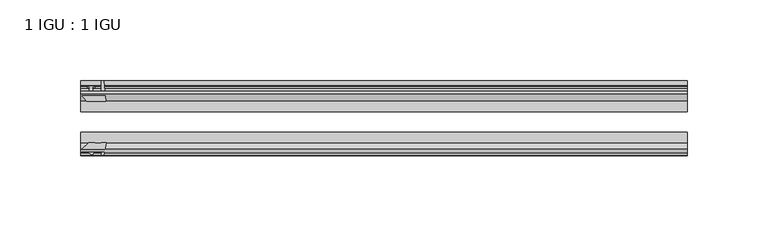
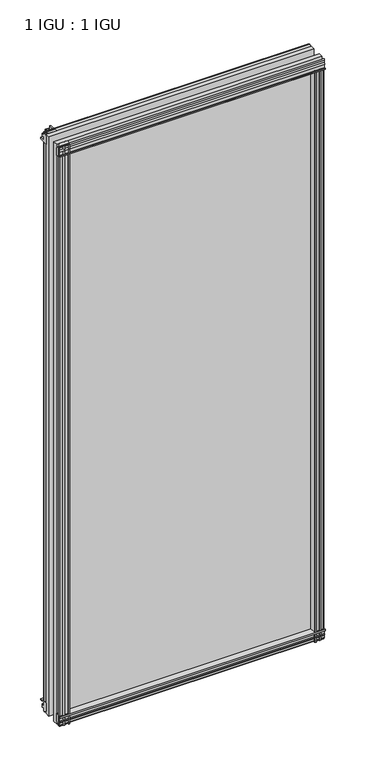
"""IFC4 building model written with IfcOpenShell, lengths in millimetres: plate geometry, 1 IGU : 1 IGU."""

import ifcopenshell
import ifcopenshell.guid

model = None  # the IFC model being written
_history = None  # IfcOwnerHistory: only IFC2X3 demands one
_inside = {}  # id of a spatial element -> (the spatial element, [elements in it])
_under = {}  # id of a project, library or spatial element -> (it, [spatial elements below it])
_declared = {}  # id of a project -> (the project, [libraries it declares])
_typed = {}  # id of a type object -> (the type object, [elements of that type])
_made_of = {}  # id of a material, layer set ... -> (it, [elements and type objects made of it])


def new_model(schema):
    """Start an empty IFC model of exactly this schema.

    Asked for "IFC4X3", IfcOpenShell would pick the latest addendum, in which some entities
    have other attributes; the version numbers below select the first issue.
    IFC2X3 requires an IfcOwnerHistory on every rooted entity: one is made here for all.
    """
    global model, _history
    if schema == "IFC4X3":
        model = ifcopenshell.file(schema_version=(4, 3, 0, 0))
    else:
        model = ifcopenshell.file(schema=schema)
    _inside.clear()
    _under.clear()
    _declared.clear()
    _typed.clear()
    _made_of.clear()
    _history = None
    if model.schema == "IFC2X3":
        org = make("IfcOrganization", Name="unknown")
        user = make(
            "IfcPersonAndOrganization",
            ThePerson=make("IfcPerson", FamilyName="unknown"),
            TheOrganization=org,
        )
        app = make(
            "IfcApplication",
            ApplicationDeveloper=org,
            Version="unknown",
            ApplicationFullName="unknown",
            ApplicationIdentifier="unknown",
        )
        _history = make(
            "IfcOwnerHistory",
            OwningUser=user,
            OwningApplication=app,
            ChangeAction="ADDED",
            CreationDate=0,
        )
    return model


def make(cls, **values):
    """One entity of the class cls with the attributes given. An attribute that is None is left unset."""
    return model.create_entity(
        cls, **{name: value for name, value in values.items() if value is not None}
    )


def rooted(cls, **values):
    """An entity with a GlobalId (a new one), such as an element, a storey or a relation."""
    return make(cls, GlobalId=ifcopenshell.guid.new(), OwnerHistory=_history, **values)


def si_unit(unit_type, name, prefix=None):
    """IfcSIUnit, for example si_unit("LENGTHUNIT", "METRE", prefix="MILLI")."""
    return make("IfcSIUnit", UnitType=unit_type, Prefix=prefix, Name=name)


def assignment(units):
    """IfcUnitAssignment: the units of a project."""
    return None if units is None else make("IfcUnitAssignment", Units=units)


def point(xyz):
    """IfcCartesianPoint."""
    return None if xyz is None else make("IfcCartesianPoint", Coordinates=xyz)


def direction(xyz):
    """IfcDirection."""
    return None if xyz is None else make("IfcDirection", DirectionRatios=xyz)


def frame(location, z_axis=None, x_axis=None):
    """IfcAxis2Placement3D, a coordinate frame: its origin and axes. An axis left out is left unset."""
    return make(
        "IfcAxis2Placement3D",
        Location=point(location),
        Axis=direction(z_axis),
        RefDirection=direction(x_axis),
    )


def frame_2d(location, x_axis=None):
    """IfcAxis2Placement2D, a coordinate frame in the plane: its origin and x axis."""
    return make(
        "IfcAxis2Placement2D", Location=point(location), RefDirection=direction(x_axis)
    )


def origin():
    """The frame at (0, 0, 0) with its axes left unset."""
    return frame((0.0, 0.0, 0.0))


def place(relative_to, where):
    """IfcLocalPlacement: puts the frame where relative to a parent placement (None: the world)."""
    return make(
        "IfcLocalPlacement", PlacementRelTo=relative_to, RelativePlacement=where
    )


def context(
    kind, dimensions, precision=None, world=None, true_north=None, identifier=None
):
    """IfcGeometricRepresentationContext, for example the 3D "Model" context."""
    return make(
        "IfcGeometricRepresentationContext",
        ContextIdentifier=identifier,
        ContextType=kind,
        CoordinateSpaceDimension=dimensions,
        Precision=precision,
        WorldCoordinateSystem=world,
        TrueNorth=true_north,
    )


def project(units=None, contexts=None):
    """IfcProject with its units and contexts."""
    return rooted(
        "IfcProject",
        Name="project",
        RepresentationContexts=contexts,
        UnitsInContext=assignment(units),
    )


def spatial(cls, under=None, at=None, **own):
    """A site, building, storey or space (cls), placed at a placement, below another one or the project."""
    s = rooted(cls, ObjectPlacement=at, **own)
    if under is not None:
        _under.setdefault(under.id(), (under, []))[1].append(s)
    return s


def polyline(points):
    """IfcPolyline through the points."""
    return make("IfcPolyline", Points=[point(p) for p in points])


def circle_curve(where, radius):
    """IfcCircle in the frame where."""
    return make("IfcCircle", Position=where, Radius=radius)


def trimmed(basis, trim1, trim2, sense, master):
    """IfcTrimmedCurve: the piece of a basis curve between two trims."""
    return make(
        "IfcTrimmedCurve",
        BasisCurve=basis,
        Trim1=trim1,
        Trim2=trim2,
        SenseAgreement=sense,
        MasterRepresentation=master,
    )


def segment(curve, same_sense, transition):
    """IfcCompositeCurveSegment."""
    return make(
        "IfcCompositeCurveSegment",
        Transition=transition,
        SameSense=same_sense,
        ParentCurve=curve,
    )


def composite_curve(segments, self_intersect=None):
    """IfcCompositeCurve: segments joined end to end."""
    return make("IfcCompositeCurve", Segments=segments, SelfIntersect=self_intersect)


def outline(outer, holes=None, kind="AREA"):
    """IfcArbitraryClosedProfileDef: a profile drawn as a closed curve; with holes, ...WithVoids."""
    if holes is None:
        return make("IfcArbitraryClosedProfileDef", ProfileType=kind, OuterCurve=outer)
    return make(
        "IfcArbitraryProfileDefWithVoids",
        ProfileType=kind,
        OuterCurve=outer,
        InnerCurves=holes,
    )


def extrude(swept, where, along, depth):
    """IfcExtrudedAreaSolid: the profile swept, set in the frame where, extruded along a direction by depth."""
    return make(
        "IfcExtrudedAreaSolid",
        SweptArea=swept,
        Position=where,
        ExtrudedDirection=direction(along),
        Depth=depth,
    )


def shape(context_of_items, identifier, shape_type, items):
    """IfcShapeRepresentation: the items that make up one representation, for example the "Body"."""
    return make(
        "IfcShapeRepresentation",
        ContextOfItems=context_of_items,
        RepresentationIdentifier=identifier,
        RepresentationType=shape_type,
        Items=items,
    )


def source(mapping_origin, context_of_items, identifier, shape_type, items):
    """IfcRepresentationMap: a shape defined once, which mapped items show again and again."""
    return make(
        "IfcRepresentationMap",
        MappingOrigin=mapping_origin,
        MappedRepresentation=shape(context_of_items, identifier, shape_type, items),
    )


def transform(
    local_origin,
    x_axis=None,
    y_axis=None,
    z_axis=None,
    scale=None,
    scale2=None,
    scale3=None,
    uniform=True,
):
    """IfcCartesianTransformationOperator3D, or its non-uniform kind. x_axis, y_axis, z_axis: its Axis1, 2, 3."""
    if uniform:
        return make(
            "IfcCartesianTransformationOperator3D",
            Axis1=direction(x_axis),
            Axis2=direction(y_axis),
            LocalOrigin=point(local_origin),
            Scale=scale,
            Axis3=direction(z_axis),
        )
    return make(
        "IfcCartesianTransformationOperator3DnonUniform",
        Axis1=direction(x_axis),
        Axis2=direction(y_axis),
        LocalOrigin=point(local_origin),
        Scale=scale,
        Axis3=direction(z_axis),
        Scale2=scale2,
        Scale3=scale3,
    )


def mapped(mapping_source, mapping_target):
    """IfcMappedItem: shows the shape of a source again, moved by a transform."""
    return make(
        "IfcMappedItem", MappingSource=mapping_source, MappingTarget=mapping_target
    )


def made_of(thing, what):
    """Note that an element or type object is made of a material, layer set ...; save() writes the relation."""
    if what is not None:
        _made_of.setdefault(what.id(), (what, []))[1].append(thing)
    return thing


def element(
    cls,
    number,
    at=None,
    inside=None,
    cuts=None,
    type_object=None,
    material=None,
    context=None,
    identifier="Body",
    shape_type=None,
    held_by="IfcProductDefinitionShape",
    body=None,
    shapes=None,
    **own,
):
    """One element of the class cls, such as IfcWall. Its Tag is "e" and its number.

    at: its placement. inside: the storey or other place that contains it. cuts: it is an
    opening in that element (IfcRelVoidsElement). A single representation is given by context,
    identifier, shape_type and body (its items); several are given by shapes. held_by: the class
    of the entity that holds the representations. save() writes the other relations.
    """
    e = rooted(cls, Tag="e%d" % number, ObjectPlacement=at, **own)
    if body is not None:
        shapes = [shape(context, identifier, shape_type, body)]
    if shapes is not None:
        e.Representation = make(held_by, Representations=shapes)
    if inside is not None:
        _inside.setdefault(inside.id(), (inside, []))[1].append(e)
    if cuts is not None:
        rooted(
            "IfcRelVoidsElement", RelatingBuildingElement=cuts, RelatedOpeningElement=e
        )
    if type_object is not None:
        _typed.setdefault(type_object.id(), (type_object, []))[1].append(e)
    return made_of(e, material)


def aggregate(whole, parts):
    """IfcRelAggregates: a whole, such as a stair, and the parts it consists of."""
    return rooted("IfcRelAggregates", RelatingObject=whole, RelatedObjects=parts)


def save(model, path):
    """Write the relations noted so far, then the file.

    IfcRelAggregates (storeys below a building ...), IfcRelContainedInSpatialStructure (elements
    in a storey), IfcRelDefinesByType, IfcRelAssociatesMaterial and IfcRelDeclares: one each for
    every whole, place, type object, material and project.
    """
    for whole, parts in _under.values():
        aggregate(whole, parts)
    for where, things in _inside.values():
        rooted(
            "IfcRelContainedInSpatialStructure",
            RelatedElements=things,
            RelatingStructure=where,
        )
    for kind, things in _typed.values():
        rooted("IfcRelDefinesByType", RelatedObjects=things, RelatingType=kind)
    for what, things in _made_of.values():
        rooted("IfcRelAssociatesMaterial", RelatedObjects=things, RelatingMaterial=what)
    for by, libraries in _declared.values():
        rooted("IfcRelDeclares", RelatingContext=by, RelatedDefinitions=libraries)
    model.write(path)


def plate_1_igu_1_igu_2e32f64b(model_context):
    return source(origin(), model_context, "Body", "SweptSolid", [
        extrude(outline(polyline([(-24.9039062, 2.5763839), (-12.2039062, 1.5739665), (-12.2039062, 0.0), (-18.5539062, 0.0), (-18.5539062, -4.953), (-16.254502, -5.5691235), (-16.6301757, -4.1670901), (-15.7714677, -3.937), (-15.1249062, -6.35), (-15.7714677, -8.763), (-16.6301757, -8.5329099), (-16.254502, -7.1308765), (-18.5539062, -7.747), (-18.5539062, -12.7), (-20.5859062, -12.7), (-24.9039062, -9.1036931), (-24.9039062, 2.5763839)])), frame((-187.325, 0.0, 0.0), z_axis=(1.0, 0.0, 0.0), x_axis=(0.0, 1.0, 0.0)), (0.0, 0.0, 1.0), 374.65),
        extrude(outline(composite_curve([segment(polyline([(-58.2287402, 1.5687054), (-50.3039062, 3.0983599), (-50.3039062, -7.92383), (-54.4858806, -12.1058044)]), True, "CONTINUOUS"), segment(trimmed(circle_curve(frame_2d((-55.3839062, -11.2077788)), 1.27), [point((-54.4858806, -12.1058044))], [point((-56.6539062, -11.2077788))], False, "CARTESIAN"), True, "CONTINUOUS"), segment(polyline([(-56.6539062, -11.2077788), (-56.6539062, -8.0327788), (-58.1332022, -5.4488186), (-56.6539062, -5.1879788), (-56.6539062, 0.2222212), (-58.2287402, 0.0), (-58.2287402, 1.5687054)]), True, "CONTINUOUS")], self_intersect=False)), frame((-187.325, 0.0, 0.0), z_axis=(1.0, 0.0, 0.0), x_axis=(0.0, 1.0, 0.0)), (0.0, 0.0, 1.0), 374.65),
        extrude(outline(polyline([(-18.5539063, 845.956525), (-16.254502, 845.3404015), (-16.6301757, 846.7424349), (-15.7714677, 846.972525), (-15.1249063, 844.559525), (-15.7714677, 842.146525), (-16.6301757, 842.3766151), (-16.254502, 843.7786485), (-18.5539063, 843.162525), (-18.5539063, 838.209525), (-12.2039062, 838.209525), (-12.2039062, 836.6355584), (-24.9039063, 835.6331411), (-24.9039063, 847.3132181), (-20.5859063, 850.909525), (-18.5539063, 850.909525), (-18.5539063, 845.956525)])), frame((-187.325, 0.0, 0.0), z_axis=(1.0, 0.0, 0.0), x_axis=(0.0, 1.0, 0.0)), (0.0, 0.0, 1.0), 374.65),
        extrude(outline(composite_curve([segment(polyline([(-50.3039063, 846.133355), (-50.3039063, 835.1111651), (-58.2287402, 836.6408196), (-58.2287402, 838.209525), (-56.6539063, 837.9873038), (-56.6539063, 843.3975038), (-58.1332023, 843.6583436), (-56.6539063, 846.2423038), (-56.6539063, 849.4173038)]), True, "CONTINUOUS"), segment(trimmed(circle_curve(frame_2d((-55.3839063, 849.4173038)), 1.27), [point((-56.6539063, 849.4173038))], [point((-54.4858806, 850.3153294))], False, "CARTESIAN"), True, "CONTINUOUS"), segment(polyline([(-54.4858806, 850.3153294), (-50.3039063, 846.133355)]), True, "CONTINUOUS")], self_intersect=False)), frame((-187.325, 0.0, 0.0), z_axis=(1.0, 0.0, 0.0), x_axis=(0.0, 1.0, 0.0)), (0.0, 0.0, 1.0), 374.65),
        extrude(outline(composite_curve([segment(polyline([(172.893956, -57.3876965), (171.5266401, -50.3039063), (182.54883, -50.3039063), (186.7308044, -54.4858806)]), True, "CONTINUOUS"), segment(trimmed(circle_curve(frame_2d((185.8327788, -55.3839062)), 1.27), [point((186.7308044, -54.4858806))], [point((185.8327788, -56.6539062))], False, "CARTESIAN"), True, "CONTINUOUS"), segment(polyline([(185.8327788, -56.6539062), (182.6577788, -56.6539063), (180.0738186, -58.1332022), (179.8129788, -56.6539063), (174.4027788, -56.6539062), (174.625, -58.2287402), (173.6606792, -58.2014026)]), True, "CONTINUOUS"), segment(trimmed(circle_curve(frame_2d((173.8947788, -57.2127402)), 1.016), [point((173.6606792, -58.2014026))], [point((172.893956, -57.3876965))], False, "CARTESIAN"), True, "CONTINUOUS")], self_intersect=False)), frame((0.0, 0.0, -12.7), z_axis=(0.0, 0.0, 1.0), x_axis=(1.0, 0.0, 0.0)), (0.0, 0.0, 1.0), 851.3064),
        extrude(outline(polyline([(179.578, -18.5539062), (180.1941235, -16.254502), (178.7920901, -16.6301757), (178.562, -15.7714677), (180.975, -15.1249062), (183.388, -15.7714677), (183.1579099, -16.6301757), (181.7558765, -16.254502), (182.372, -18.5539062), (187.325, -18.5539062), (187.325, -20.5859062), (183.7286931, -24.9039063), (172.0486161, -24.9039063), (173.0510335, -12.2039062), (174.625, -12.2039062), (174.625, -18.5539062), (179.578, -18.5539062)])), frame((0.0, 0.0, -12.7), z_axis=(0.0, 0.0, 1.0), x_axis=(1.0, 0.0, 0.0)), (0.0, 0.0, 1.0), 851.3064),
        extrude(outline(composite_curve([segment(polyline([(-182.6577788, -56.6539062), (-185.8327788, -56.6539062)]), True, "CONTINUOUS"), segment(trimmed(circle_curve(frame_2d((-185.8327788, -55.3839062)), 1.27), [point((-185.8327788, -56.6539062))], [point((-186.7308044, -54.4858806))], False, "CARTESIAN"), True, "CONTINUOUS"), segment(polyline([(-186.7308044, -54.4858806), (-182.54883, -50.3039062), (-178.8792845, -50.3039062)]), True, "CONTINUOUS"), segment(trimmed(circle_curve(frame_2d((-176.8157788, -46.3669062)), 4.445), [point((-178.8792845, -50.3039062))], [point((-174.752273, -50.3039062))], True, "CARTESIAN"), True, "CONTINUOUS"), segment(polyline([(-174.752273, -50.3039062), (-171.5266401, -50.3039062), (-173.0562946, -58.2287402), (-174.625, -58.2287402), (-174.4027788, -56.6539062), (-179.8129788, -56.6539062), (-180.0738186, -58.1332022), (-182.6577788, -56.6539062)]), True, "CONTINUOUS")], self_intersect=False)), frame((0.0, 0.0, -12.7), z_axis=(0.0, 0.0, 1.0), x_axis=(1.0, 0.0, 0.0)), (0.0, 0.0, 1.0), 863.609525),
        extrude(outline(polyline([(-172.0486161, -24.9039062), (-183.7286931, -24.9039062), (-187.325, -20.5859062), (-187.325, -18.5539062), (-182.372, -18.5539062), (-181.7558765, -16.254502), (-183.1579099, -16.6301757), (-183.388, -15.7714677), (-180.975, -15.1249062), (-178.562, -15.7714677), (-178.7920901, -16.6301757), (-180.1941235, -16.254502), (-179.578, -18.5539062), (-174.625, -18.5539062), (-174.625, -12.2039062), (-173.0510335, -12.2039062), (-172.0486161, -24.9039062)])), frame((0.0, 0.0, -12.7), z_axis=(0.0, 0.0, 1.0), x_axis=(1.0, 0.0, 0.0)), (0.0, 0.0, 1.0), 863.609525),
        extrude(outline(polyline([(187.325, -24.9039062), (187.325, -31.2031063), (-187.325, -31.2031063), (-187.325, -24.9039062), (187.325, -24.9039062)])), frame((0.0, 0.0, -12.7), z_axis=(0.0, 0.0, 1.0), x_axis=(1.0, 0.0, 0.0)), (0.0, 0.0, 1.0), 863.609525),
        extrude(outline(polyline([(-187.325, -44.0047063), (187.325, -44.0047063), (187.325, -50.3039062), (-187.325, -50.3039062), (-187.325, -44.0047063)])), frame((0.0, 0.0, -12.7), z_axis=(0.0, 0.0, 1.0), x_axis=(1.0, 0.0, 0.0)), (0.0, 0.0, 1.0), 863.609525),
    ])


if __name__ == "__main__":
    model = new_model("IFC4")
    model_context = context("Model", 3, world=origin())
    ifc_project = project(units=[si_unit("LENGTHUNIT", "METRE", prefix="MILLI")], contexts=[model_context])
    site = spatial("IfcSite", under=ifc_project)
    building = spatial("IfcBuilding", under=site)
    placement = place(None, origin())
    plate_1_igu_1_igu_shape = plate_1_igu_1_igu_2e32f64b(model_context)
    element("IfcPlate", 1, ObjectType="1 IGU : 1 IGU", at=placement, inside=building, context=model_context, shape_type="MappedRepresentation", body=[
        mapped(plate_1_igu_1_igu_shape, transform((0.0, 0.0, 0.0), x_axis=(1.0, 0.0, 0.0), y_axis=(0.0, 1.0, 0.0), z_axis=(0.0, 0.0, 1.0))),
    ])
    save(model, "model.ifc")
